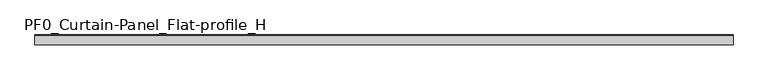
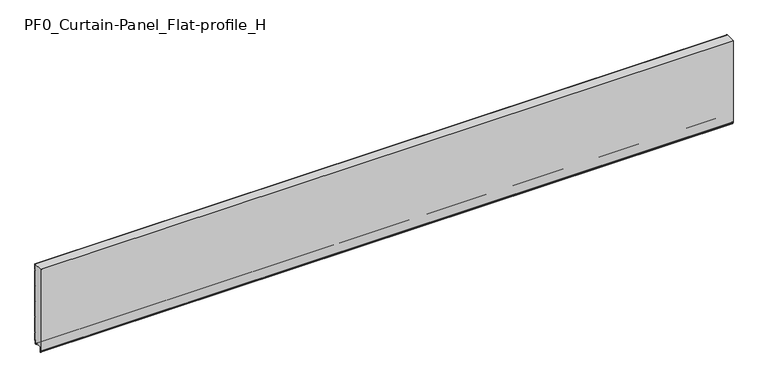
"""IFC4 building model written with IfcOpenShell, lengths in millimetres: plate geometry, PF0_Curtain-Panel_Flat-profile_H."""

from ifc_helpers import new_model, si_unit, point, frame, frame_2d, origin, place, context, project, spatial, polyline, circle_curve, trimmed, segment, composite_curve, outline, extrude, source, transform, mapped, element, save


def pf0_curtain_panel_flat_profile_h_f2da2f1d(model_context):
    return source(origin(), model_context, "Body", "SweptSolid", [
        extrude(outline(composite_curve([segment(polyline([(-15.878557, 0.0), (-20.0, 0.0), (-20.0, 0.8), (-15.878557, 0.8)]), True, "CONTINUOUS"), segment(trimmed(circle_curve(frame_2d((-15.878557, -2.0)), 2.8), [point((-15.878557, 0.8))], [point((-13.1503208, -1.370137))], False, "CARTESIAN"), True, "CONTINUOUS"), segment(polyline([(-13.1503208, -1.370137), (-11.728236, -7.529863)]), True, "CONTINUOUS"), segment(trimmed(circle_curve(frame_2d((-9.0, -6.9)), 2.8), [point((-11.728236, -7.529863))], [point((-6.2, -6.9))], True, "CARTESIAN"), True, "CONTINUOUS"), segment(polyline([(-6.2, -6.9), (-6.2, 8.6)]), True, "CONTINUOUS"), segment(trimmed(circle_curve(frame_2d((-3.4, 8.6)), 2.8), [point((-6.2, 8.6))], [point((-3.4, 11.4))], False, "CARTESIAN"), True, "CONTINUOUS"), segment(polyline([(-3.4, 11.4), (-2.0, 11.4)]), True, "CONTINUOUS"), segment(trimmed(circle_curve(frame_2d((-2.0, 12.6)), 1.2), [point((-2.0, 11.4))], [point((-0.8, 12.6))], True, "CARTESIAN"), True, "CONTINUOUS"), segment(polyline([(-0.8, 12.6), (-0.8, 57.6856412), (-2.482606, 60.6), (-0.8, 63.5143588), (-0.8, 157.6856412), (-2.482606, 160.6), (-0.8, 163.5143588), (-0.8, 257.6856412), (-2.482606, 260.6), (-0.8, 263.5143588), (-0.8, 357.6856412), (-2.482606, 360.6), (-0.8, 363.5143588), (-0.8, 457.6856412), (-2.482606, 460.6), (-0.8, 463.5143588), (-0.8, 500.0), (0.0, 500.0), (0.0, 463.2999995), (-1.5588455, 460.6), (0.0, 457.9000005), (0.0, 363.2999995), (-1.5588455, 360.6), (0.0, 357.9000005), (0.0, 263.2999995), (-1.5588455, 260.6), (0.0, 257.9000005), (0.0, 163.2999995), (-1.5588455, 160.6), (0.0, 157.9000005), (0.0, 63.2999995), (-1.5588455, 60.6), (0.0, 57.9000005), (0.0, 12.6)]), True, "CONTINUOUS"), segment(trimmed(circle_curve(frame_2d((-2.0, 12.6)), 2.0), [point((0.0, 12.6))], [point((-2.0, 10.6))], False, "CARTESIAN"), True, "CONTINUOUS"), segment(polyline([(-2.0, 10.6), (-3.4, 10.6)]), True, "CONTINUOUS"), segment(trimmed(circle_curve(frame_2d((-3.4, 8.6)), 2.0), [point((-3.4, 10.6))], [point((-5.4, 8.6))], True, "CARTESIAN"), True, "CONTINUOUS"), segment(polyline([(-5.4, 8.6), (-5.4, -6.9)]), True, "CONTINUOUS"), segment(trimmed(circle_curve(frame_2d((-9.0, -6.9)), 3.6), [point((-5.4, -6.9))], [point((-12.5077322, -7.7098239))], False, "CARTESIAN"), True, "CONTINUOUS"), segment(polyline([(-12.5077322, -7.7098239), (-13.929817, -1.5500979)]), True, "CONTINUOUS"), segment(trimmed(circle_curve(frame_2d((-15.878557, -2.0)), 2.0), [point((-13.929817, -1.5500979))], [point((-15.878557, 0.0))], True, "CARTESIAN"), True, "CONTINUOUS")], self_intersect=False)), frame((-2100.0, 0.0, 0.0), z_axis=(1.0, 0.0, 0.0), x_axis=(0.0, 1.0, 0.0)), (0.0, 0.0, 1.0), 4200.0),
        extrude(outline(composite_curve([segment(polyline([(-50.0, 0.8), (-53.5, 0.8)]), True, "CONTINUOUS"), segment(trimmed(circle_curve(frame_2d((-53.5, -2.0)), 2.8), [point((-53.5, 0.8))], [point((-56.3, -2.0))], True, "CARTESIAN"), True, "CONTINUOUS"), segment(polyline([(-56.3, -2.0), (-56.3, -32.8700312)]), True, "CONTINUOUS"), segment(trimmed(circle_curve(frame_2d((-56.6, -32.8700312)), 0.3), [point((-56.3, -32.8700312))], [point((-56.9, -32.8700312))], False, "CARTESIAN"), True, "CONTINUOUS"), segment(polyline([(-56.9, -32.8700312), (-56.9, -26.9)]), True, "CONTINUOUS"), segment(trimmed(circle_curve(frame_2d((-58.6133333, -26.9)), 1.7133333), [point((-56.9, -26.9))], [point((-58.4, -25.2))], True, "CARTESIAN"), True, "CONTINUOUS"), segment(trimmed(circle_curve(frame_2d((-58.4, -24.4)), 0.8), [point((-58.4, -25.2))], [point((-59.2, -24.4))], False, "CARTESIAN"), True, "CONTINUOUS"), segment(polyline([(-59.2, -24.4), (-59.2, 500.0), (-0.8, 500.0), (-0.8, 463.5143588), (-2.482606, 460.6), (-0.8, 457.6856412), (-0.8, 363.5143588), (-2.482606, 360.6), (-0.8, 357.6856412), (-0.8, 263.5143588), (-2.482606, 260.6), (-0.8, 257.6856412), (-0.8, 163.5143588), (-2.482606, 160.6), (-0.8, 157.6856412), (-0.8, 63.5143588), (-2.482606, 60.6), (-0.8, 57.6856412), (-0.8, 12.6)]), True, "CONTINUOUS"), segment(trimmed(circle_curve(frame_2d((-2.0, 12.6)), 1.2), [point((-0.8, 12.6))], [point((-2.0, 11.4))], False, "CARTESIAN"), True, "CONTINUOUS"), segment(polyline([(-2.0, 11.4), (-3.4, 11.4)]), True, "CONTINUOUS"), segment(trimmed(circle_curve(frame_2d((-3.4, 8.6)), 2.8), [point((-3.4, 11.4))], [point((-6.2, 8.6))], True, "CARTESIAN"), True, "CONTINUOUS"), segment(polyline([(-6.2, 8.6), (-6.2, -6.9)]), True, "CONTINUOUS"), segment(trimmed(circle_curve(frame_2d((-9.0, -6.9)), 2.8), [point((-6.2, -6.9))], [point((-11.7282362, -7.529863))], False, "CARTESIAN"), True, "CONTINUOUS"), segment(polyline([(-11.7282362, -7.529863), (-13.1503208, -1.370137)]), True, "CONTINUOUS"), segment(trimmed(circle_curve(frame_2d((-15.878557, -2.0)), 2.8), [point((-13.1503208, -1.370137))], [point((-15.878557, 0.8))], True, "CARTESIAN"), True, "CONTINUOUS"), segment(polyline([(-15.878557, 0.8), (-20.0, 0.8), (-20.0, 0.0), (-50.0, 0.0), (-50.0, 0.8)]), True, "CONTINUOUS")], self_intersect=False)), frame((-2100.0, 0.0, 0.0), z_axis=(1.0, 0.0, 0.0), x_axis=(0.0, 1.0, 0.0)), (0.0, 0.0, 1.0), 4200.0),
        extrude(outline(composite_curve([segment(polyline([(-50.0, 0.0), (-53.5, 0.0)]), True, "CONTINUOUS"), segment(trimmed(circle_curve(frame_2d((-53.5, -2.0)), 2.0), [point((-53.5, 0.0))], [point((-55.5, -2.0))], True, "CARTESIAN"), True, "CONTINUOUS"), segment(polyline([(-55.5, -2.0), (-55.5, -33.0)]), True, "CONTINUOUS"), segment(trimmed(circle_curve(frame_2d((-56.5, -33.0)), 1.0), [point((-55.5, -33.0))], [point((-57.5, -33.0))], False, "CARTESIAN"), True, "CONTINUOUS"), segment(polyline([(-57.5, -33.0), (-57.5, -26.9)]), True, "CONTINUOUS"), segment(trimmed(circle_curve(frame_2d((-58.4, -26.9)), 0.9), [point((-57.5, -26.9))], [point((-58.4, -26.0))], True, "CARTESIAN"), True, "CONTINUOUS"), segment(trimmed(circle_curve(frame_2d((-58.4, -24.4)), 1.6), [point((-58.4, -26.0))], [point((-60.0, -24.4))], False, "CARTESIAN"), True, "CONTINUOUS"), segment(polyline([(-60.0, -24.4), (-60.0, 500.0), (-59.2, 500.0), (-59.2, -24.4)]), True, "CONTINUOUS"), segment(trimmed(circle_curve(frame_2d((-58.4, -24.4)), 0.8), [point((-59.2, -24.4))], [point((-58.4, -25.2))], True, "CARTESIAN"), True, "CONTINUOUS"), segment(trimmed(circle_curve(frame_2d((-58.6133333, -26.9)), 1.7133333), [point((-58.4, -25.2))], [point((-56.9, -26.9))], False, "CARTESIAN"), True, "CONTINUOUS"), segment(polyline([(-56.9, -26.9), (-56.9, -32.8700312)]), True, "CONTINUOUS"), segment(trimmed(circle_curve(frame_2d((-56.6, -32.8700312)), 0.3), [point((-56.9, -32.8700312))], [point((-56.3, -32.8700312))], True, "CARTESIAN"), True, "CONTINUOUS"), segment(polyline([(-56.3, -32.8700312), (-56.3, -2.0)]), True, "CONTINUOUS"), segment(trimmed(circle_curve(frame_2d((-53.5, -2.0)), 2.8), [point((-56.3, -2.0))], [point((-53.5, 0.8))], False, "CARTESIAN"), True, "CONTINUOUS"), segment(polyline([(-53.5, 0.8), (-50.0, 0.8), (-50.0, 0.0)]), True, "CONTINUOUS")], self_intersect=False)), frame((-2100.0, 0.0, 0.0), z_axis=(1.0, 0.0, 0.0), x_axis=(0.0, 1.0, 0.0)), (0.0, 0.0, 1.0), 4200.0),
    ])


if __name__ == "__main__":
    model = new_model("IFC4")
    model_context = context("Model", 3, world=origin())
    ifc_project = project(units=[si_unit("LENGTHUNIT", "METRE", prefix="MILLI")], contexts=[model_context])
    site = spatial("IfcSite", under=ifc_project)
    building = spatial("IfcBuilding", under=site)
    placement = place(None, origin())
    pf0_curtain_panel_flat_profile_h_shape = pf0_curtain_panel_flat_profile_h_f2da2f1d(model_context)
    element("IfcPlate", 1, ObjectType="PF0_Curtain-Panel_Flat-profile_H", at=placement, inside=building, context=model_context, shape_type="MappedRepresentation", body=[
        mapped(pf0_curtain_panel_flat_profile_h_shape, transform((0.0, 0.0, 0.0), x_axis=(1.0, 0.0, 0.0), y_axis=(0.0, 1.0, 0.0), z_axis=(0.0, 0.0, 1.0))),
    ])
    save(model, "model.ifc")
